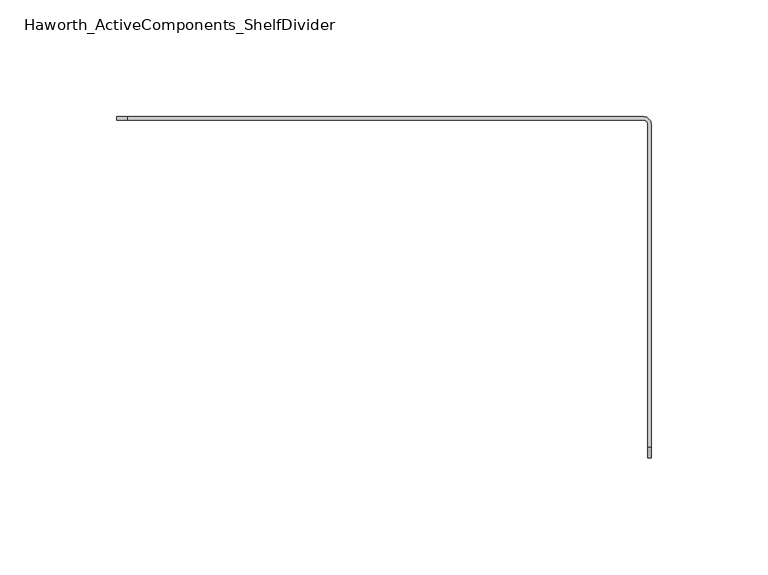
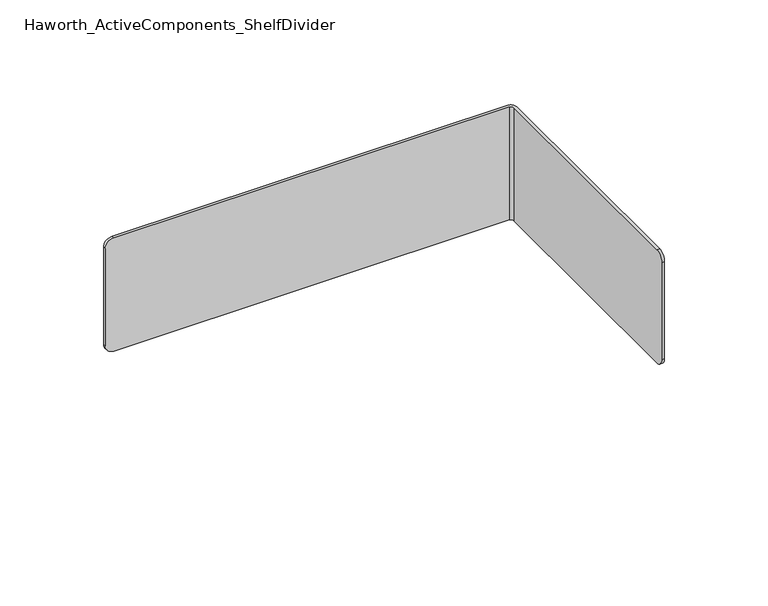
"""IFC4 building model written with IfcOpenShell, lengths in millimetres: furniture geometry, Haworth_ActiveComponents_ShelfDivider."""

from ifc_helpers import new_model, si_unit, frame, origin, place, context, project, spatial, polyline, circle_curve, source, transform, mapped, element, save
from ifc_brep_helpers import plane_surface, cylinder_surface, revolved_surface, advanced_brep


def haworth_activecomponents_shelfdivider_e3d88967(model_context):
    return source(origin(), model_context, "Body", "AdvancedBrep", [
        advanced_brep(
        [(-111.0257812, 168.2131485, 904.875), (-109.4382812, 166.6256485, 904.875), (-109.4382812, 28.4373174, 904.875), (-107.95, 28.4373174, 904.875), (-107.95, 166.5621484, 904.875), (-111.125, 169.7371484, 904.875), (-331.7998311, 169.7371484, 904.875), (-331.7998311, 168.2131485, 904.875), (-111.125, 169.7371484, 838.2), (-107.95, 166.5621484, 838.2), (-107.95, 28.4373174, 838.2), (-109.4382812, 28.4373174, 838.2), (-109.4382812, 166.6256485, 838.2), (-111.0257812, 168.2131485, 838.2), (-331.7998311, 168.2131485, 838.2), (-331.7998311, 169.7371484, 838.2), (-336.55, 169.7371484, 842.9501689), (-336.55, 169.7371484, 900.1248311), (-336.55, 168.2131485, 842.9501689), (-336.55, 168.2131485, 900.1248311), (-109.4382812, 23.6871484, 842.9501689), (-109.4382812, 23.6871484, 900.1248311), (-107.95, 23.6871484, 842.9501689), (-107.95, 23.6871484, 900.1248311)],
        [
            (0, 1, circle_curve(frame((-111.0257812, 166.6256485, 904.875), z_axis=(0.0, 0.0, -1.0), x_axis=(1.0, 0.0, 0.0)), 1.5875)),
            (1, 2),
            (2, 3),
            (3, 4),
            (4, 5, circle_curve(frame((-111.125, 166.5621484, 904.875), z_axis=(0.0, 0.0, 1.0), x_axis=(1.0, 0.0, 0.0)), 3.175)),
            (5, 6),
            (6, 7),
            (7, 0),
            (8, 9, circle_curve(frame((-111.125, 166.5621484, 838.2), z_axis=(0.0, 0.0, -1.0), x_axis=(1.0, 0.0, 0.0)), 3.175)),
            (9, 10),
            (10, 11),
            (11, 12),
            (12, 13, circle_curve(frame((-111.0257812, 166.6256485, 838.2), z_axis=(0.0, 0.0, 1.0), x_axis=(1.0, 0.0, 0.0)), 1.5875)),
            (13, 14),
            (14, 15),
            (15, 8),
            (5, 8),
            (15, 16, circle_curve(frame((-331.7998311, 169.7371484, 842.9501689), z_axis=(0.0, 1.0, 0.0), x_axis=(0.0, 0.0, -1.0)), 4.7501689)),
            (16, 17),
            (17, 6, circle_curve(frame((-331.7998311, 169.7371484, 900.1248311), z_axis=(0.0, 1.0, 0.0), x_axis=(0.0, 0.0, -1.0)), 4.7501689)),
            (16, 18),
            (18, 19),
            (19, 17),
            (13, 0),
            (7, 19, circle_curve(frame((-331.7998311, 168.2131485, 900.1248311), z_axis=(0.0, -1.0, 0.0), x_axis=(0.0, 0.0, -1.0)), 4.7501689)),
            (18, 14, circle_curve(frame((-331.7998311, 168.2131485, 842.9501689), z_axis=(0.0, -1.0, 0.0), x_axis=(0.0, 0.0, -1.0)), 4.7501689)),
            (12, 1),
            (11, 20, circle_curve(frame((-109.4382812, 28.4373174, 842.9501689), z_axis=(-1.0, 0.0, 0.0), x_axis=(0.0, 1.0, 0.0)), 4.7501689)),
            (20, 21),
            (21, 2, circle_curve(frame((-109.4382812, 28.4373174, 900.1248311), z_axis=(-1.0, 0.0, 0.0), x_axis=(0.0, 1.0, 0.0)), 4.7501689)),
            (20, 22),
            (22, 23),
            (23, 21),
            (9, 4),
            (3, 23, circle_curve(frame((-107.95, 28.4373174, 900.1248311), z_axis=(1.0, 0.0, 0.0), x_axis=(0.0, 1.0, 0.0)), 4.7501689)),
            (22, 10, circle_curve(frame((-107.95, 28.4373174, 842.9501689), z_axis=(1.0, 0.0, 0.0), x_axis=(0.0, 1.0, 0.0)), 4.7501689)),
        ],
        [
            plane_surface(frame((-336.55, 169.7371484, 904.875), z_axis=(0.0, 0.0, 1.0), x_axis=(-1.0, 0.0, 0.0))),
            plane_surface(frame((-336.55, 169.7371484, 838.2), z_axis=(0.0, 0.0, -1.0), x_axis=(1.0, 0.0, 0.0))),
            plane_surface(frame((-111.125, 169.7371484, 904.875), z_axis=(0.0, 1.0, 0.0), x_axis=(0.0, 0.0, -1.0))),
            plane_surface(frame((-336.55, 169.7371484, 904.875), z_axis=(-1.0, 0.0, 0.0), x_axis=(0.0, 0.0, -1.0))),
            plane_surface(frame((-336.55, 168.2131485, 904.875), z_axis=(0.0, -1.0, 0.0), x_axis=(0.0, 0.0, -1.0))),
            revolved_surface(polyline([(-109.43828119999999, 166.6256485, 838.2), (-109.43828119999999, 166.6256485, 904.875)]), (-111.0257812, 166.6256485, 838.2), (0.0, 0.0, -1.0)),
            plane_surface(frame((-109.4382812, 166.6256485, 904.875), z_axis=(-1.0, 0.0, 0.0), x_axis=(0.0, 0.0, -1.0))),
            plane_surface(frame((-109.4382812, 23.6871484, 904.875), z_axis=(0.0, -1.0, 0.0), x_axis=(0.0, 0.0, -1.0))),
            plane_surface(frame((-107.95, 23.6871484, 904.875), z_axis=(1.0, 0.0, 0.0), x_axis=(0.0, 0.0, -1.0))),
            cylinder_surface(frame((-111.125, 166.5621484, 838.2), z_axis=(0.0, 0.0, 1.0), x_axis=(1.0, 0.0, 0.0)), 3.175),
            cylinder_surface(frame((-331.7998311, 168.2131485, 900.1248311), z_axis=(0.0, -1.0, 0.0), x_axis=(0.0, 0.0, -1.0)), 4.7501689),
            cylinder_surface(frame((-331.7998311, 169.7371484, 842.9501689), z_axis=(0.0, -1.0, 0.0), x_axis=(0.0, 0.0, -1.0)), 4.7501689),
            cylinder_surface(frame((-109.4382812, 28.4373174, 900.1248311), z_axis=(-1.0, 0.0, 0.0), x_axis=(0.0, 1.0, 0.0)), 4.7501689),
            cylinder_surface(frame((-222.25, 28.4373174, 842.9501689), z_axis=(-1.0, 0.0, 0.0), x_axis=(0.0, 1.0, 0.0)), 4.7501689),
        ],
        [
            (0, [[1, 2, 3, 4, 5, 6, 7, 8]]),
            (1, [[9, 10, 11, 12, 13, 14, 15, 16]]),
            (2, [[17, -16, 18, 19, 20, -6]]),
            (3, [[-19, 21, 22, 23]]),
            (4, [[24, -8, 25, -22, 26, -14]]),
            (5, [[-1, -24, -13, 27]]),
            (6, [[-27, -12, 28, 29, 30, -2]]),
            (7, [[-29, 31, 32, 33]]),
            (8, [[34, -4, 35, -32, 36, -10]]),
            (9, [[-5, -34, -9, -17]]),
            (10, [[-7, -20, -23, -25]]),
            (11, [[-15, -26, -21, -18]]),
            (12, [[-3, -30, -33, -35]]),
            (13, [[-11, -36, -31, -28]]),
        ],
    ),
    ])


if __name__ == "__main__":
    model = new_model("IFC4")
    model_context = context("Model", 3, world=origin())
    ifc_project = project(units=[si_unit("LENGTHUNIT", "METRE", prefix="MILLI")], contexts=[model_context])
    site = spatial("IfcSite", under=ifc_project)
    building = spatial("IfcBuilding", under=site)
    placement = place(None, origin())
    haworth_activecomponents_shelfdivider_shape = haworth_activecomponents_shelfdivider_e3d88967(model_context)
    element("IfcFurniture", 1, ObjectType="Haworth_ActiveComponents_ShelfDivider", at=placement, inside=building, context=model_context, shape_type="MappedRepresentation", body=[
        mapped(haworth_activecomponents_shelfdivider_shape, transform((0.0, 0.0, 0.0), x_axis=(1.0, 0.0, 0.0), y_axis=(0.0, 1.0, 0.0), z_axis=(0.0, 0.0, 1.0))),
    ])
    save(model, "model.ifc")
